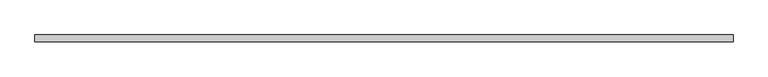
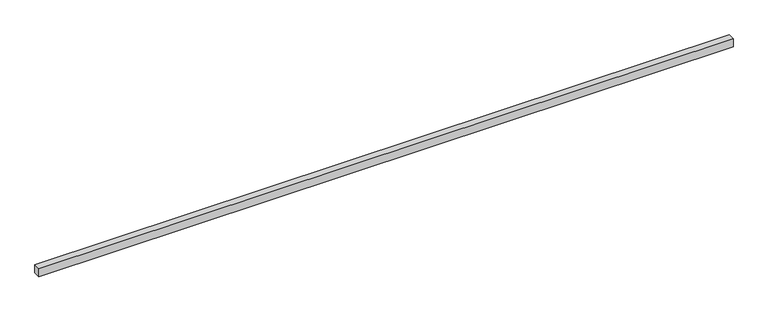
"""IFC4 building model written with IfcOpenShell, lengths in millimetres: proxy geometry."""

import ifcopenshell
import ifcopenshell.guid

model = None  # the IFC model being written
_history = None  # IfcOwnerHistory: only IFC2X3 demands one
_inside = {}  # id of a spatial element -> (the spatial element, [elements in it])
_under = {}  # id of a project, library or spatial element -> (it, [spatial elements below it])
_declared = {}  # id of a project -> (the project, [libraries it declares])
_typed = {}  # id of a type object -> (the type object, [elements of that type])
_made_of = {}  # id of a material, layer set ... -> (it, [elements and type objects made of it])


def new_model(schema):
    """Start an empty IFC model of exactly this schema.

    Asked for "IFC4X3", IfcOpenShell would pick the latest addendum, in which some entities
    have other attributes; the version numbers below select the first issue.
    IFC2X3 requires an IfcOwnerHistory on every rooted entity: one is made here for all.
    """
    global model, _history
    if schema == "IFC4X3":
        model = ifcopenshell.file(schema_version=(4, 3, 0, 0))
    else:
        model = ifcopenshell.file(schema=schema)
    _inside.clear()
    _under.clear()
    _declared.clear()
    _typed.clear()
    _made_of.clear()
    _history = None
    if model.schema == "IFC2X3":
        org = make("IfcOrganization", Name="unknown")
        user = make(
            "IfcPersonAndOrganization",
            ThePerson=make("IfcPerson", FamilyName="unknown"),
            TheOrganization=org,
        )
        app = make(
            "IfcApplication",
            ApplicationDeveloper=org,
            Version="unknown",
            ApplicationFullName="unknown",
            ApplicationIdentifier="unknown",
        )
        _history = make(
            "IfcOwnerHistory",
            OwningUser=user,
            OwningApplication=app,
            ChangeAction="ADDED",
            CreationDate=0,
        )
    return model


def make(cls, **values):
    """One entity of the class cls with the attributes given. An attribute that is None is left unset."""
    return model.create_entity(
        cls, **{name: value for name, value in values.items() if value is not None}
    )


def rooted(cls, **values):
    """An entity with a GlobalId (a new one), such as an element, a storey or a relation."""
    return make(cls, GlobalId=ifcopenshell.guid.new(), OwnerHistory=_history, **values)


def si_unit(unit_type, name, prefix=None):
    """IfcSIUnit, for example si_unit("LENGTHUNIT", "METRE", prefix="MILLI")."""
    return make("IfcSIUnit", UnitType=unit_type, Prefix=prefix, Name=name)


def assignment(units):
    """IfcUnitAssignment: the units of a project."""
    return None if units is None else make("IfcUnitAssignment", Units=units)


def point(xyz):
    """IfcCartesianPoint."""
    return None if xyz is None else make("IfcCartesianPoint", Coordinates=xyz)


def direction(xyz):
    """IfcDirection."""
    return None if xyz is None else make("IfcDirection", DirectionRatios=xyz)


def frame(location, z_axis=None, x_axis=None):
    """IfcAxis2Placement3D, a coordinate frame: its origin and axes. An axis left out is left unset."""
    return make(
        "IfcAxis2Placement3D",
        Location=point(location),
        Axis=direction(z_axis),
        RefDirection=direction(x_axis),
    )


def origin():
    """The frame at (0, 0, 0) with its axes left unset."""
    return frame((0.0, 0.0, 0.0))


def place(relative_to, where):
    """IfcLocalPlacement: puts the frame where relative to a parent placement (None: the world)."""
    return make(
        "IfcLocalPlacement", PlacementRelTo=relative_to, RelativePlacement=where
    )


def context(
    kind, dimensions, precision=None, world=None, true_north=None, identifier=None
):
    """IfcGeometricRepresentationContext, for example the 3D "Model" context."""
    return make(
        "IfcGeometricRepresentationContext",
        ContextIdentifier=identifier,
        ContextType=kind,
        CoordinateSpaceDimension=dimensions,
        Precision=precision,
        WorldCoordinateSystem=world,
        TrueNorth=true_north,
    )


def project(units=None, contexts=None):
    """IfcProject with its units and contexts."""
    return rooted(
        "IfcProject",
        Name="project",
        RepresentationContexts=contexts,
        UnitsInContext=assignment(units),
    )


def spatial(cls, under=None, at=None, **own):
    """A site, building, storey or space (cls), placed at a placement, below another one or the project."""
    s = rooted(cls, ObjectPlacement=at, **own)
    if under is not None:
        _under.setdefault(under.id(), (under, []))[1].append(s)
    return s


def polyline(points):
    """IfcPolyline through the points."""
    return make("IfcPolyline", Points=[point(p) for p in points])


def outline(outer, holes=None, kind="AREA"):
    """IfcArbitraryClosedProfileDef: a profile drawn as a closed curve; with holes, ...WithVoids."""
    if holes is None:
        return make("IfcArbitraryClosedProfileDef", ProfileType=kind, OuterCurve=outer)
    return make(
        "IfcArbitraryProfileDefWithVoids",
        ProfileType=kind,
        OuterCurve=outer,
        InnerCurves=holes,
    )


def extrude(swept, where, along, depth):
    """IfcExtrudedAreaSolid: the profile swept, set in the frame where, extruded along a direction by depth."""
    return make(
        "IfcExtrudedAreaSolid",
        SweptArea=swept,
        Position=where,
        ExtrudedDirection=direction(along),
        Depth=depth,
    )


def shape(context_of_items, identifier, shape_type, items):
    """IfcShapeRepresentation: the items that make up one representation, for example the "Body"."""
    return make(
        "IfcShapeRepresentation",
        ContextOfItems=context_of_items,
        RepresentationIdentifier=identifier,
        RepresentationType=shape_type,
        Items=items,
    )


def source(mapping_origin, context_of_items, identifier, shape_type, items):
    """IfcRepresentationMap: a shape defined once, which mapped items show again and again."""
    return make(
        "IfcRepresentationMap",
        MappingOrigin=mapping_origin,
        MappedRepresentation=shape(context_of_items, identifier, shape_type, items),
    )


def transform(
    local_origin,
    x_axis=None,
    y_axis=None,
    z_axis=None,
    scale=None,
    scale2=None,
    scale3=None,
    uniform=True,
):
    """IfcCartesianTransformationOperator3D, or its non-uniform kind. x_axis, y_axis, z_axis: its Axis1, 2, 3."""
    if uniform:
        return make(
            "IfcCartesianTransformationOperator3D",
            Axis1=direction(x_axis),
            Axis2=direction(y_axis),
            LocalOrigin=point(local_origin),
            Scale=scale,
            Axis3=direction(z_axis),
        )
    return make(
        "IfcCartesianTransformationOperator3DnonUniform",
        Axis1=direction(x_axis),
        Axis2=direction(y_axis),
        LocalOrigin=point(local_origin),
        Scale=scale,
        Axis3=direction(z_axis),
        Scale2=scale2,
        Scale3=scale3,
    )


def mapped(mapping_source, mapping_target):
    """IfcMappedItem: shows the shape of a source again, moved by a transform."""
    return make(
        "IfcMappedItem", MappingSource=mapping_source, MappingTarget=mapping_target
    )


def made_of(thing, what):
    """Note that an element or type object is made of a material, layer set ...; save() writes the relation."""
    if what is not None:
        _made_of.setdefault(what.id(), (what, []))[1].append(thing)
    return thing


def element(
    cls,
    number,
    at=None,
    inside=None,
    cuts=None,
    type_object=None,
    material=None,
    context=None,
    identifier="Body",
    shape_type=None,
    held_by="IfcProductDefinitionShape",
    body=None,
    shapes=None,
    **own,
):
    """One element of the class cls, such as IfcWall. Its Tag is "e" and its number.

    at: its placement. inside: the storey or other place that contains it. cuts: it is an
    opening in that element (IfcRelVoidsElement). A single representation is given by context,
    identifier, shape_type and body (its items); several are given by shapes. held_by: the class
    of the entity that holds the representations. save() writes the other relations.
    """
    e = rooted(cls, Tag="e%d" % number, ObjectPlacement=at, **own)
    if body is not None:
        shapes = [shape(context, identifier, shape_type, body)]
    if shapes is not None:
        e.Representation = make(held_by, Representations=shapes)
    if inside is not None:
        _inside.setdefault(inside.id(), (inside, []))[1].append(e)
    if cuts is not None:
        rooted(
            "IfcRelVoidsElement", RelatingBuildingElement=cuts, RelatedOpeningElement=e
        )
    if type_object is not None:
        _typed.setdefault(type_object.id(), (type_object, []))[1].append(e)
    return made_of(e, material)


def aggregate(whole, parts):
    """IfcRelAggregates: a whole, such as a stair, and the parts it consists of."""
    return rooted("IfcRelAggregates", RelatingObject=whole, RelatedObjects=parts)


def save(model, path):
    """Write the relations noted so far, then the file.

    IfcRelAggregates (storeys below a building ...), IfcRelContainedInSpatialStructure (elements
    in a storey), IfcRelDefinesByType, IfcRelAssociatesMaterial and IfcRelDeclares: one each for
    every whole, place, type object, material and project.
    """
    for whole, parts in _under.values():
        aggregate(whole, parts)
    for where, things in _inside.values():
        rooted(
            "IfcRelContainedInSpatialStructure",
            RelatedElements=things,
            RelatingStructure=where,
        )
    for kind, things in _typed.values():
        rooted("IfcRelDefinesByType", RelatedObjects=things, RelatingType=kind)
    for what, things in _made_of.values():
        rooted("IfcRelAssociatesMaterial", RelatedObjects=things, RelatingMaterial=what)
    for by, libraries in _declared.values():
        rooted("IfcRelDeclares", RelatingContext=by, RelatedDefinitions=libraries)
    model.write(path)


def generic_models_8251190d(model_context):
    return source(origin(), model_context, "Body", "SweptSolid", [
        extrude(outline(polyline([(40.0, 0.0), (-40.0, 0.0), (-40.0, 8100.0), (40.0, 8100.0), (40.0, 0.0)])), frame((8100.0, 0.0, 0.0), z_axis=(0.0, -1.9783474858313244e-12, 1.0), x_axis=(0.0, 1.0, 1.9783474858313244e-12)), (0.0, 0.0, 1.0), 100.0),
    ])


if __name__ == "__main__":
    model = new_model("IFC4")
    model_context = context("Model", 3, world=origin())
    ifc_project = project(units=[si_unit("LENGTHUNIT", "METRE", prefix="MILLI")], contexts=[model_context])
    site = spatial("IfcSite", under=ifc_project)
    building = spatial("IfcBuilding", under=site)
    placement = place(None, origin())
    generic_models_shape = generic_models_8251190d(model_context)
    element("IfcBuildingElementProxy", 1, Name="Generic Models", at=placement, inside=building, context=model_context, shape_type="MappedRepresentation", body=[
        mapped(generic_models_shape, transform((0.0, 0.0, 0.0), x_axis=(1.0, 0.0, 0.0), y_axis=(0.0, 1.0, 0.0), z_axis=(0.0, 0.0, 1.0))),
    ])
    save(model, "model.ifc")
